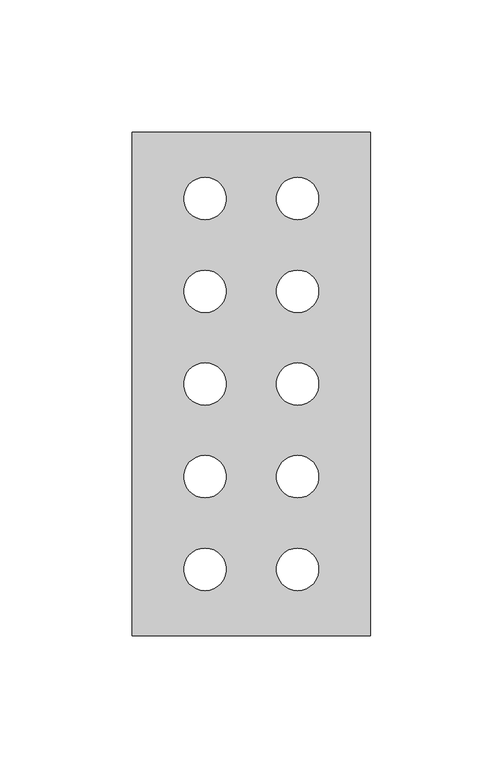
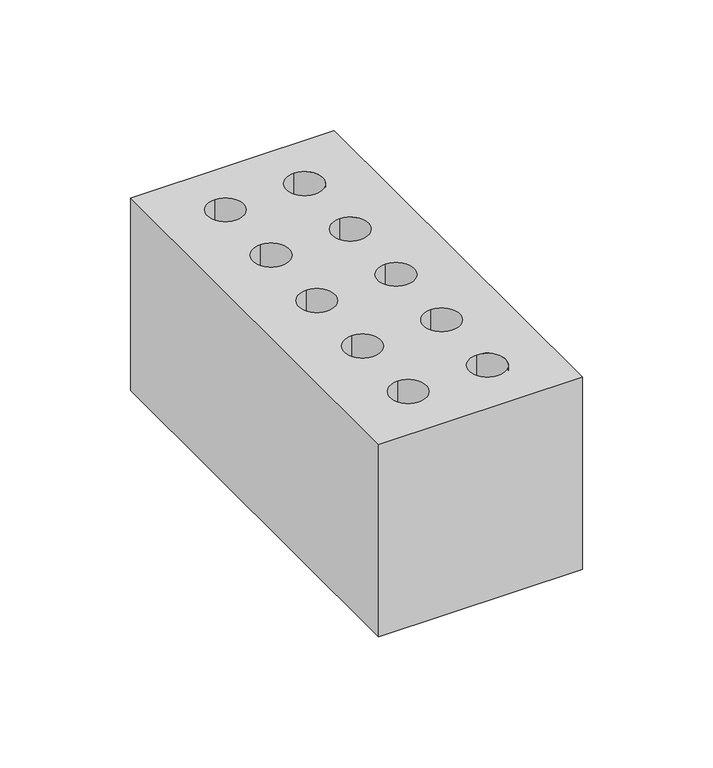
"""IFC4 building model written with IfcOpenShell, lengths in millimetres: proxy geometry."""

from ifc_helpers import new_model, si_unit, point, frame_2d, origin, origin_with_axes, place, context, project, spatial, polyline, circle_curve, trimmed, segment, composite_curve, outline, extrude, source, transform, mapped, element, save


def generic_models_e4dd6c41(model_context):
    return source(origin(), model_context, "Body", "SweptSolid", [
        extrude(outline(polyline([(0.0, 190.0), (90.0, 190.0), (90.0, 0.0), (0.0, 0.0), (0.0, 190.0)]), holes=[composite_curve([segment(trimmed(circle_curve(frame_2d((62.5, 25.0)), 8.0), [point((62.5, 33.0))], [point((62.5, 17.0))], True, "CARTESIAN"), True, "CONTINUOUS"), segment(trimmed(circle_curve(frame_2d((62.5, 25.0)), 8.0), [point((62.5, 17.0))], [point((62.5, 33.0))], True, "CARTESIAN"), True, "CONTINUOUS")], self_intersect=False), composite_curve([segment(trimmed(circle_curve(frame_2d((27.5, 25.0)), 8.0), [point((27.5, 33.0))], [point((27.5, 17.0))], True, "CARTESIAN"), True, "CONTINUOUS"), segment(trimmed(circle_curve(frame_2d((27.5, 25.0)), 8.0), [point((27.5, 17.0))], [point((27.5, 33.0))], True, "CARTESIAN"), True, "CONTINUOUS")], self_intersect=False), composite_curve([segment(trimmed(circle_curve(frame_2d((27.5, 95.0)), 8.0), [point((27.5, 103.0))], [point((27.5, 87.0))], True, "CARTESIAN"), True, "CONTINUOUS"), segment(trimmed(circle_curve(frame_2d((27.5, 95.0)), 8.0), [point((27.5, 87.0))], [point((27.5, 103.0))], True, "CARTESIAN"), True, "CONTINUOUS")], self_intersect=False), composite_curve([segment(trimmed(circle_curve(frame_2d((27.5, 130.0)), 8.0), [point((27.5, 138.0))], [point((27.5, 122.0))], True, "CARTESIAN"), True, "CONTINUOUS"), segment(trimmed(circle_curve(frame_2d((27.5, 130.0)), 8.0), [point((27.5, 122.0))], [point((27.5, 138.0))], True, "CARTESIAN"), True, "CONTINUOUS")], self_intersect=False), composite_curve([segment(trimmed(circle_curve(frame_2d((27.5, 165.0)), 8.0), [point((27.5, 173.0))], [point((27.5, 157.0))], True, "CARTESIAN"), True, "CONTINUOUS"), segment(trimmed(circle_curve(frame_2d((27.5, 165.0)), 8.0), [point((27.5, 157.0))], [point((27.5, 173.0))], True, "CARTESIAN"), True, "CONTINUOUS")], self_intersect=False), composite_curve([segment(trimmed(circle_curve(frame_2d((27.5, 60.0)), 8.0), [point((27.5, 68.0))], [point((27.5, 52.0))], True, "CARTESIAN"), True, "CONTINUOUS"), segment(trimmed(circle_curve(frame_2d((27.5, 60.0)), 8.0), [point((27.5, 52.0))], [point((27.5, 68.0))], True, "CARTESIAN"), True, "CONTINUOUS")], self_intersect=False), composite_curve([segment(trimmed(circle_curve(frame_2d((62.5, 165.0)), 8.0), [point((62.5, 173.0))], [point((62.5, 157.0))], True, "CARTESIAN"), True, "CONTINUOUS"), segment(trimmed(circle_curve(frame_2d((62.5, 165.0)), 8.0), [point((62.5, 157.0))], [point((62.5, 173.0))], True, "CARTESIAN"), True, "CONTINUOUS")], self_intersect=False), composite_curve([segment(trimmed(circle_curve(frame_2d((62.5, 130.0)), 8.0), [point((62.5, 138.0))], [point((62.5, 122.0))], True, "CARTESIAN"), True, "CONTINUOUS"), segment(trimmed(circle_curve(frame_2d((62.5, 130.0)), 8.0), [point((62.5, 122.0))], [point((62.5, 138.0))], True, "CARTESIAN"), True, "CONTINUOUS")], self_intersect=False), composite_curve([segment(trimmed(circle_curve(frame_2d((62.5, 95.0)), 8.0), [point((62.5, 103.0))], [point((62.5, 87.0))], True, "CARTESIAN"), True, "CONTINUOUS"), segment(trimmed(circle_curve(frame_2d((62.5, 95.0)), 8.0), [point((62.5, 87.0))], [point((62.5, 103.0))], True, "CARTESIAN"), True, "CONTINUOUS")], self_intersect=False), composite_curve([segment(trimmed(circle_curve(frame_2d((62.5, 60.0)), 8.0), [point((62.5, 68.0))], [point((62.5, 52.0))], True, "CARTESIAN"), True, "CONTINUOUS"), segment(trimmed(circle_curve(frame_2d((62.5, 60.0)), 8.0), [point((62.5, 52.0))], [point((62.5, 68.0))], True, "CARTESIAN"), True, "CONTINUOUS")], self_intersect=False)]), origin_with_axes(), (0.0, 0.0, 1.0), 90.0),
    ])


if __name__ == "__main__":
    model = new_model("IFC4")
    model_context = context("Model", 3, world=origin())
    ifc_project = project(units=[si_unit("LENGTHUNIT", "METRE", prefix="MILLI")], contexts=[model_context])
    site = spatial("IfcSite", under=ifc_project)
    building = spatial("IfcBuilding", under=site)
    placement = place(None, origin())
    generic_models_shape = generic_models_e4dd6c41(model_context)
    element("IfcBuildingElementProxy", 1, Name="Generic Models", at=placement, inside=building, context=model_context, shape_type="MappedRepresentation", body=[
        mapped(generic_models_shape, transform((0.0, 0.0, 0.0), x_axis=(1.0, 0.0, 0.0), y_axis=(0.0, 1.0, 0.0), z_axis=(0.0, 0.0, 1.0))),
    ])
    save(model, "model.ifc")
